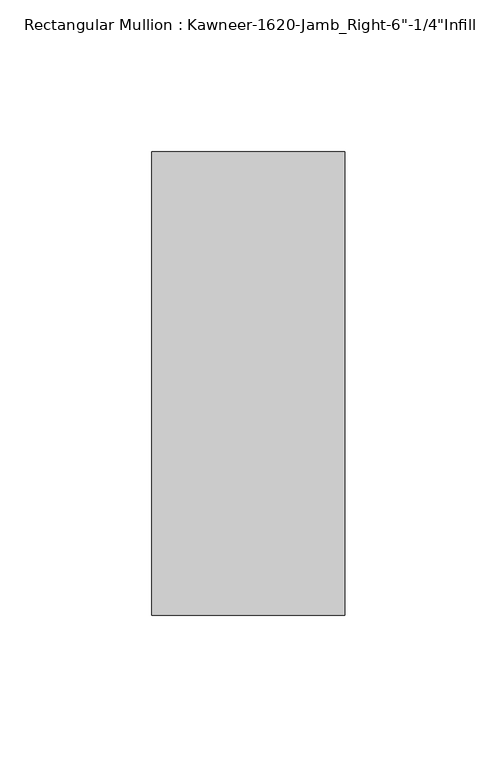
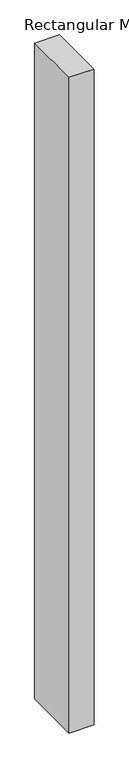
"""IFC4 building model written with IfcOpenShell, lengths in millimetres: member geometry."""

from ifc_helpers import new_model, si_unit, frame, origin, place, context, project, spatial, polyline, outline, extrude, source, transform, mapped, element, save


def member_2d8d5d19(model_context):
    return source(origin(), model_context, "Body", "SweptSolid", [
        extrude(outline(polyline([(-63.5, -28.575), (-63.5, 123.825), (0.0, 123.825), (0.0, -28.575), (-63.5, -28.575)])), frame((0.0, 0.0, -1765.3), z_axis=(0.0, 0.0, 1.0), x_axis=(1.0, 0.0, 0.0)), (0.0, 0.0, 1.0), 1765.3),
    ])


if __name__ == "__main__":
    model = new_model("IFC4")
    model_context = context("Model", 3, world=origin())
    ifc_project = project(units=[si_unit("LENGTHUNIT", "METRE", prefix="MILLI")], contexts=[model_context])
    site = spatial("IfcSite", under=ifc_project)
    building = spatial("IfcBuilding", under=site)
    placement = place(None, origin())
    member_shape = member_2d8d5d19(model_context)
    element("IfcMember", 1, ObjectType="Rectangular Mullion : Kawneer-1620-Jamb_Right-6\"-1/4\"Infill", at=placement, inside=building, context=model_context, shape_type="MappedRepresentation", body=[
        mapped(member_shape, transform((0.0, 0.0, 0.0), x_axis=(1.0, 0.0, 0.0), y_axis=(0.0, 1.0, 0.0), z_axis=(0.0, 0.0, 1.0))),
    ])
    save(model, "model.ifc")
